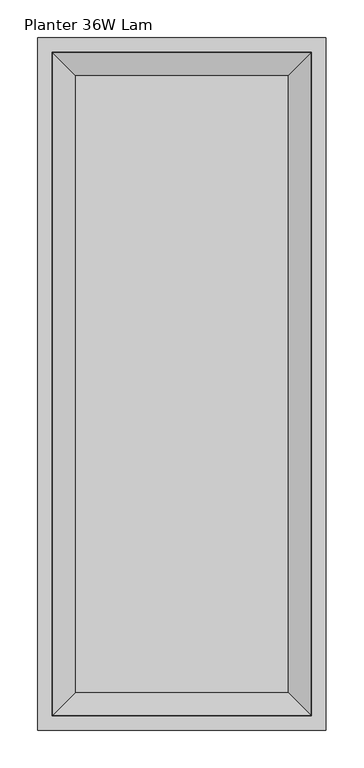
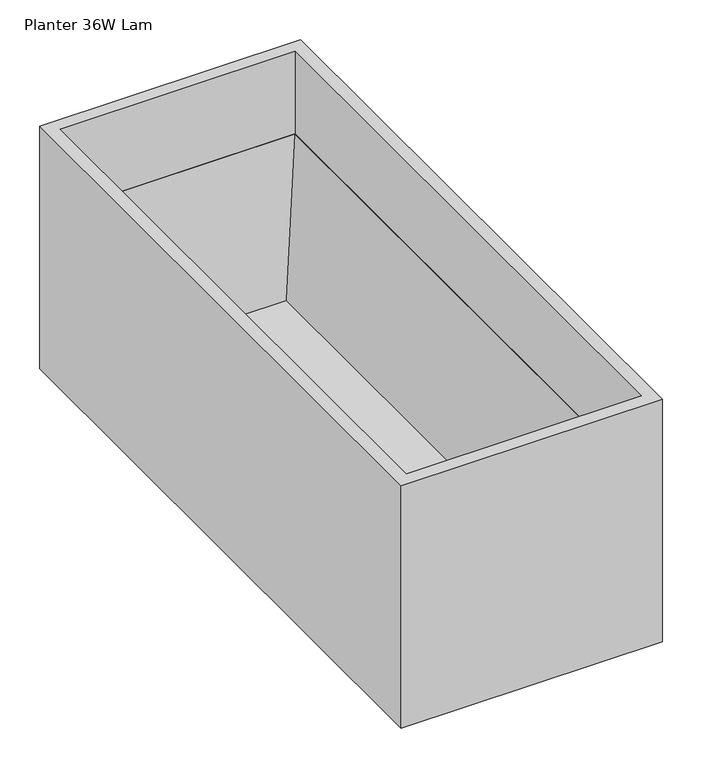
"""IFC4 building model written with IfcOpenShell, lengths in millimetres: furniture geometry, Planter 36W Lam."""

from ifc_helpers import new_model, si_unit, origin, place, context, project, spatial, faceted_brep, source, transform, mapped, element, save


def planter_36w_lam_a77f22d5(model_context):
    return source(origin(), model_context, "Body", "Brep", [
        faceted_brep([(381.0, 0.0, 374.6499879), (0.0, 0.0, 374.6499879), (0.0, -914.4, 374.6499879), (381.0, -914.4, 374.6499879), (19.05, -19.05, 374.6499879), (361.95, -19.05, 374.6499879), (361.95, -895.35, 374.6499879), (19.05, -895.35, 374.6499879), (381.0, 0.0, 0.0), (381.0, -914.4, 0.0), (0.0, -914.4, 0.0), (0.0, 0.0, 0.0), (361.95, -19.05, 247.65), (19.05, -19.05, 247.65), (19.05, -895.35, 247.65), (361.95, -895.35, 247.65), (19.8119993, -19.8119993, 247.65), (361.1879826, -19.8119993, 247.65), (361.1879826, -894.5879826, 247.65), (19.8119993, -894.5879826, 247.65), (331.0922542, -49.9077595, 19.8119993), (49.9077595, -49.9077595, 19.8119993), (49.9077595, -864.4922178, 19.8119993), (331.0922542, -864.4922178, 19.8119993)], [[[0, 1, 2, 3], [4, 5, 6, 7]], [[8, 9, 10, 11]], [[1, 0, 8, 11]], [[2, 1, 11, 10]], [[3, 2, 10, 9]], [[0, 3, 9, 8]], [[12, 13, 14, 15], [16, 17, 18, 19]], [[13, 12, 5, 4]], [[14, 13, 4, 7]], [[15, 14, 7, 6]], [[12, 15, 6, 5]], [[20, 21, 22, 23]], [[21, 20, 17, 16]], [[22, 21, 16, 19]], [[23, 22, 19, 18]], [[20, 23, 18, 17]]]),
    ])


if __name__ == "__main__":
    model = new_model("IFC4")
    model_context = context("Model", 3, world=origin())
    ifc_project = project(units=[si_unit("LENGTHUNIT", "METRE", prefix="MILLI")], contexts=[model_context])
    site = spatial("IfcSite", under=ifc_project)
    building = spatial("IfcBuilding", under=site)
    placement = place(None, origin())
    planter_36w_lam_shape = planter_36w_lam_a77f22d5(model_context)
    element("IfcFurniture", 1, ObjectType="Planter 36W Lam", at=placement, inside=building, context=model_context, shape_type="MappedRepresentation", body=[
        mapped(planter_36w_lam_shape, transform((0.0, 0.0, 0.0), x_axis=(1.0, 0.0, 0.0), y_axis=(0.0, 1.0, 0.0), z_axis=(0.0, 0.0, 1.0))),
    ])
    save(model, "model.ifc")
